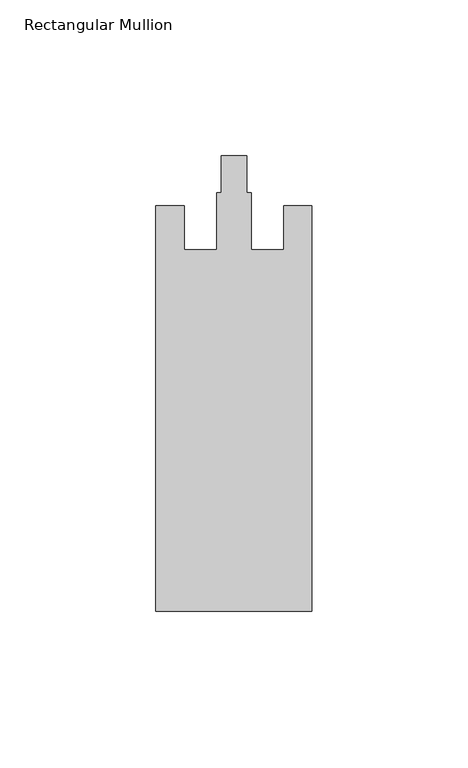
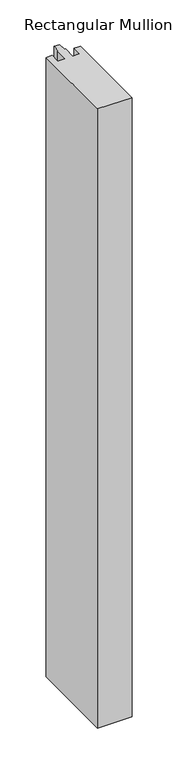
"""IFC4 building model written with IfcOpenShell, lengths in millimetres: member geometry, Rectangular Mullion."""

from ifc_helpers import new_model, si_unit, frame, origin, place, context, project, spatial, polyline, outline, extrude, source, transform, mapped, element, save


def rectangular_mullion_fb22f250(model_context):
    return source(origin(), model_context, "Body", "SweptSolid", [
        extrude(outline(polyline([(0.0, -153.0), (-50.0, -153.0), (-50.0, -23.0), (-41.0, -23.0), (-41.0, -37.0), (-30.5, -37.0), (-30.5, -18.8), (-29.1, -18.8), (-29.1, -7.0), (-20.9, -7.0), (-20.9, -18.8), (-19.5, -18.8), (-19.5, -37.0), (-9.0, -37.0), (-9.0, -23.0), (0.0, -23.0), (0.0, -153.0)])), frame((0.0, 0.0, -950.0), z_axis=(0.0, 0.0, 1.0), x_axis=(1.0, 0.0, 0.0)), (0.0, 0.0, 1.0), 950.0),
    ])


if __name__ == "__main__":
    model = new_model("IFC4")
    model_context = context("Model", 3, world=origin())
    ifc_project = project(units=[si_unit("LENGTHUNIT", "METRE", prefix="MILLI")], contexts=[model_context])
    site = spatial("IfcSite", under=ifc_project)
    building = spatial("IfcBuilding", under=site)
    placement = place(None, origin())
    rectangular_mullion_shape = rectangular_mullion_fb22f250(model_context)
    element("IfcMember", 1, ObjectType="Rectangular Mullion", at=placement, inside=building, context=model_context, shape_type="MappedRepresentation", body=[
        mapped(rectangular_mullion_shape, transform((0.0, 0.0, 0.0), x_axis=(1.0, 0.0, 0.0), y_axis=(0.0, 1.0, 0.0), z_axis=(0.0, 0.0, 1.0))),
    ])
    save(model, "model.ifc")
